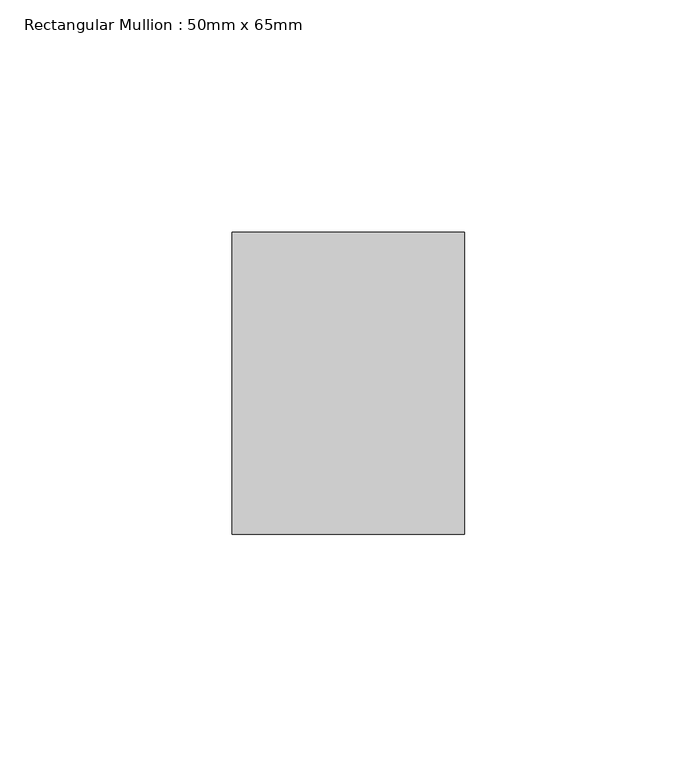
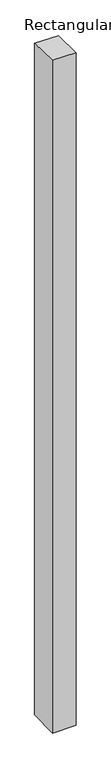
"""IFC4 building model written with IfcOpenShell, lengths in millimetres: member geometry, Rectangular Mullion : 50mm x 65mm."""

from ifc_helpers import new_model, si_unit, origin, place, context, project, spatial, faceted_brep, source, transform, mapped, element, save


def rectangular_mullion_50mm_x_65mm_05ddf4f5(model_context):
    return source(origin(), model_context, "Body", "Brep", [
        faceted_brep([(-25.0, 32.5, -0.7127058), (25.0, 32.5, -0.71271), (25.0, 32.5, -1499.1020459), (-25.0, 32.5, -1499.1020512), (-25.0, -32.5, 0.71271), (-25.0, -32.5, -1500.8979782), (25.0, -32.5, 0.7127058), (25.0, -32.5, -1500.8979729)], [[[0, 1, 2, 3]], [[4, 0, 3, 5]], [[6, 4, 5, 7]], [[1, 6, 7, 2]], [[1, 0, 4, 6]], [[2, 7, 5, 3]]]),
    ])


if __name__ == "__main__":
    model = new_model("IFC4")
    model_context = context("Model", 3, world=origin())
    ifc_project = project(units=[si_unit("LENGTHUNIT", "METRE", prefix="MILLI")], contexts=[model_context])
    site = spatial("IfcSite", under=ifc_project)
    building = spatial("IfcBuilding", under=site)
    placement = place(None, origin())
    rectangular_mullion_50mm_x_65mm_shape = rectangular_mullion_50mm_x_65mm_05ddf4f5(model_context)
    element("IfcMember", 1, ObjectType="Rectangular Mullion : 50mm x 65mm", at=placement, inside=building, context=model_context, shape_type="MappedRepresentation", body=[
        mapped(rectangular_mullion_50mm_x_65mm_shape, transform((0.0, 0.0, 0.0), x_axis=(1.0, 0.0, 0.0), y_axis=(0.0, 1.0, 0.0), z_axis=(0.0, 0.0, 1.0))),
    ])
    save(model, "model.ifc")
